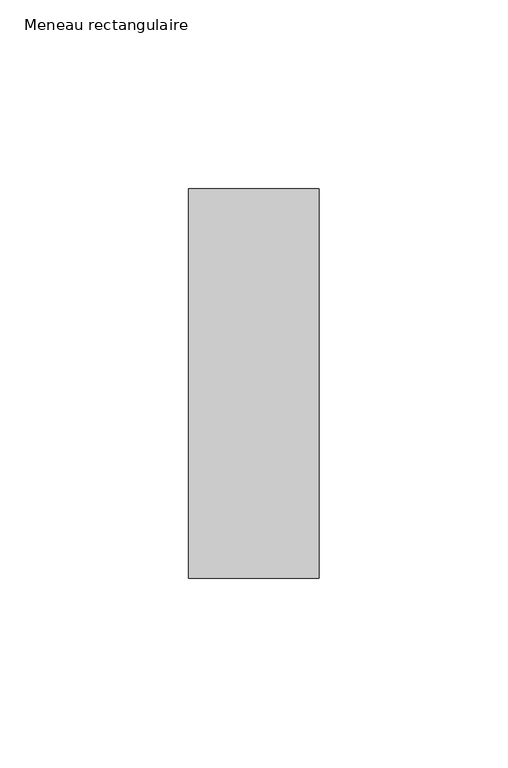
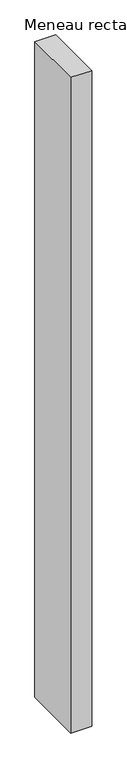
"""IFC4 building model written with IfcOpenShell, lengths in millimetres: member geometry, Meneau rectangulaire."""

from ifc_helpers import new_model, si_unit, frame, origin, place, context, project, spatial, polyline, outline, extrude, source, transform, mapped, element, save


def meneau_rectangulaire_69f9ba5b(model_context):
    return source(origin(), model_context, "Body", "SweptSolid", [
        extrude(outline(polyline([(0.0, 51.5), (0.0, -51.5), (-34.5, -51.5), (-34.5, 51.5), (0.0, 51.5)])), frame((0.0, 0.0, -1147.8214288), z_axis=(0.0, 0.0, 1.0), x_axis=(1.0, 0.0, 0.0)), (0.0, 0.0, 1.0), 1147.8214288),
    ])


if __name__ == "__main__":
    model = new_model("IFC4")
    model_context = context("Model", 3, world=origin())
    ifc_project = project(units=[si_unit("LENGTHUNIT", "METRE", prefix="MILLI")], contexts=[model_context])
    site = spatial("IfcSite", under=ifc_project)
    building = spatial("IfcBuilding", under=site)
    placement = place(None, origin())
    meneau_rectangulaire_shape = meneau_rectangulaire_69f9ba5b(model_context)
    element("IfcMember", 1, ObjectType="Meneau rectangulaire", at=placement, inside=building, context=model_context, shape_type="MappedRepresentation", body=[
        mapped(meneau_rectangulaire_shape, transform((0.0, 0.0, 0.0), x_axis=(1.0, 0.0, 0.0), y_axis=(0.0, 1.0, 0.0), z_axis=(0.0, 0.0, 1.0))),
    ])
    save(model, "model.ifc")
